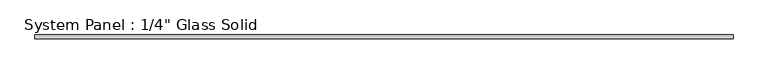
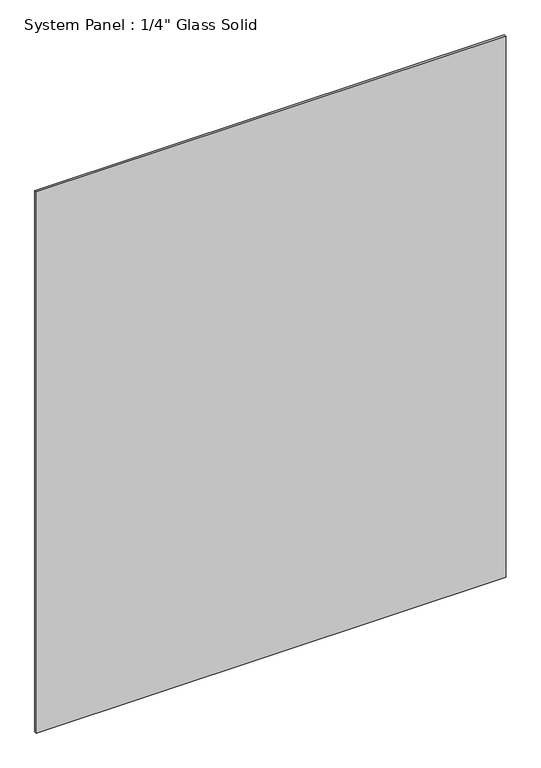
"""IFC4 building model written with IfcOpenShell, lengths in millimetres: plate geometry."""

from ifc_helpers import new_model, si_unit, origin, origin_with_axes, place, context, project, spatial, polyline, outline, extrude, source, transform, mapped, element, save


def plate_1484420b(model_context):
    return source(origin(), model_context, "Body", "SweptSolid", [
        extrude(outline(polyline([(584.2008852, -3.175), (-584.2008852, -3.175), (-584.2008852, 3.175), (584.2008852, 3.175), (584.2008852, -3.175)])), origin_with_axes(), (0.0, 0.0, 1.0), 1422.2894027),
    ])


if __name__ == "__main__":
    model = new_model("IFC4")
    model_context = context("Model", 3, world=origin())
    ifc_project = project(units=[si_unit("LENGTHUNIT", "METRE", prefix="MILLI")], contexts=[model_context])
    site = spatial("IfcSite", under=ifc_project)
    building = spatial("IfcBuilding", under=site)
    placement = place(None, origin())
    plate_shape = plate_1484420b(model_context)
    element("IfcPlate", 1, ObjectType="System Panel : 1/4\" Glass Solid", at=placement, inside=building, context=model_context, shape_type="MappedRepresentation", body=[
        mapped(plate_shape, transform((0.0, 0.0, 0.0), x_axis=(1.0, 0.0, 0.0), y_axis=(0.0, 1.0, 0.0), z_axis=(0.0, 0.0, 1.0))),
    ])
    save(model, "model.ifc")
